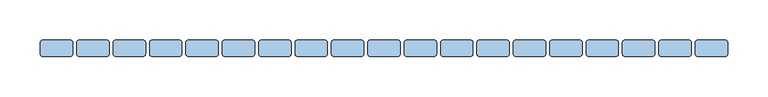
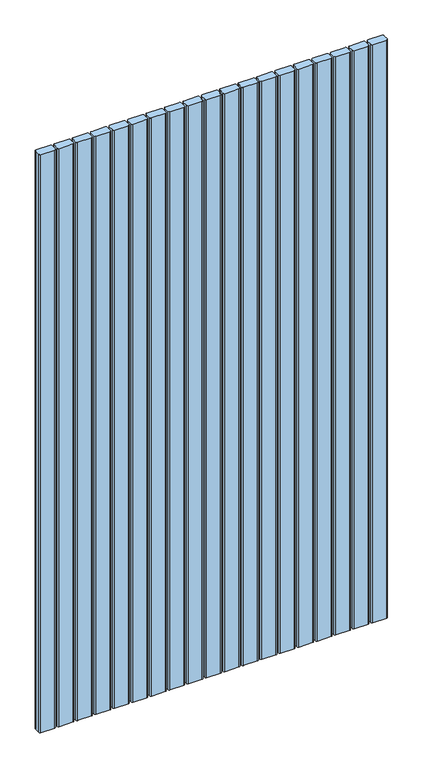
"""IFC4 building model written with IfcOpenShell, lengths in millimetres: window geometry."""

from ifc_helpers import new_model, si_unit, point, frame, frame_2d, origin, place, context, project, spatial, polyline, circle_curve, trimmed, segment, composite_curve, outline, extrude, source, transform, mapped, element, save


def window_61e208a9(model_context):
    return source(origin(), model_context, "Body", "SweptSolid", [
        extrude(outline(composite_curve([segment(polyline([(357.495806, 47.0), (357.495806, 33.0)]), True, "CONTINUOUS"), segment(trimmed(circle_curve(frame_2d((354.495806, 33.0)), 3.0), [point((357.495806, 33.0))], [point((354.495806, 30.0))], False, "CARTESIAN"), True, "CONTINUOUS"), segment(polyline([(354.495806, 30.0), (320.504194, 30.0)]), True, "CONTINUOUS"), segment(trimmed(circle_curve(frame_2d((320.504194, 33.0)), 3.0), [point((320.504194, 30.0))], [point((317.504194, 33.0))], False, "CARTESIAN"), True, "CONTINUOUS"), segment(polyline([(317.504194, 33.0), (317.504194, 47.0)]), True, "CONTINUOUS"), segment(trimmed(circle_curve(frame_2d((320.504194, 47.0)), 3.0), [point((317.504194, 47.0))], [point((320.504194, 50.0))], False, "CARTESIAN"), True, "CONTINUOUS"), segment(polyline([(320.504194, 50.0), (354.495806, 50.0)]), True, "CONTINUOUS"), segment(trimmed(circle_curve(frame_2d((354.495806, 47.0)), 3.0), [point((354.495806, 50.0))], [point((357.495806, 47.0))], False, "CARTESIAN"), True, "CONTINUOUS")], self_intersect=False)), frame((0.0, 0.0, 100.0), z_axis=(0.0, 0.0, 1.0), x_axis=(1.0, 0.0, 0.0)), (0.0, 0.0, 1.0), 1490.0),
        extrude(outline(composite_curve([segment(polyline([(312.495806, 47.0), (312.495806, 33.0)]), True, "CONTINUOUS"), segment(trimmed(circle_curve(frame_2d((309.495806, 33.0)), 3.0), [point((312.495806, 33.0))], [point((309.495806, 30.0))], False, "CARTESIAN"), True, "CONTINUOUS"), segment(polyline([(309.495806, 30.0), (275.504194, 30.0)]), True, "CONTINUOUS"), segment(trimmed(circle_curve(frame_2d((275.504194, 33.0)), 3.0), [point((275.504194, 30.0))], [point((272.504194, 33.0))], False, "CARTESIAN"), True, "CONTINUOUS"), segment(polyline([(272.504194, 33.0), (272.504194, 47.0)]), True, "CONTINUOUS"), segment(trimmed(circle_curve(frame_2d((275.504194, 47.0)), 3.0), [point((272.504194, 47.0))], [point((275.504194, 50.0))], False, "CARTESIAN"), True, "CONTINUOUS"), segment(polyline([(275.504194, 50.0), (309.495806, 50.0)]), True, "CONTINUOUS"), segment(trimmed(circle_curve(frame_2d((309.495806, 47.0)), 3.0), [point((309.495806, 50.0))], [point((312.495806, 47.0))], False, "CARTESIAN"), True, "CONTINUOUS")], self_intersect=False)), frame((0.0, 0.0, 100.0), z_axis=(0.0, 0.0, 1.0), x_axis=(1.0, 0.0, 0.0)), (0.0, 0.0, 1.0), 1490.0),
        extrude(outline(composite_curve([segment(polyline([(267.495806, 47.0), (267.495806, 33.0)]), True, "CONTINUOUS"), segment(trimmed(circle_curve(frame_2d((264.495806, 33.0)), 3.0), [point((267.495806, 33.0))], [point((264.495806, 30.0))], False, "CARTESIAN"), True, "CONTINUOUS"), segment(polyline([(264.495806, 30.0), (230.504194, 30.0)]), True, "CONTINUOUS"), segment(trimmed(circle_curve(frame_2d((230.504194, 33.0)), 3.0), [point((230.504194, 30.0))], [point((227.504194, 33.0))], False, "CARTESIAN"), True, "CONTINUOUS"), segment(polyline([(227.504194, 33.0), (227.504194, 47.0)]), True, "CONTINUOUS"), segment(trimmed(circle_curve(frame_2d((230.504194, 47.0)), 3.0), [point((227.504194, 47.0))], [point((230.504194, 50.0))], False, "CARTESIAN"), True, "CONTINUOUS"), segment(polyline([(230.504194, 50.0), (264.495806, 50.0)]), True, "CONTINUOUS"), segment(trimmed(circle_curve(frame_2d((264.495806, 47.0)), 3.0), [point((264.495806, 50.0))], [point((267.495806, 47.0))], False, "CARTESIAN"), True, "CONTINUOUS")], self_intersect=False)), frame((0.0, 0.0, 100.0), z_axis=(0.0, 0.0, 1.0), x_axis=(1.0, 0.0, 0.0)), (0.0, 0.0, 1.0), 1490.0),
        extrude(outline(composite_curve([segment(polyline([(222.495806, 47.0), (222.495806, 33.0)]), True, "CONTINUOUS"), segment(trimmed(circle_curve(frame_2d((219.495806, 33.0)), 3.0), [point((222.495806, 33.0))], [point((219.495806, 30.0))], False, "CARTESIAN"), True, "CONTINUOUS"), segment(polyline([(219.495806, 30.0), (185.504194, 30.0)]), True, "CONTINUOUS"), segment(trimmed(circle_curve(frame_2d((185.504194, 33.0)), 3.0), [point((185.504194, 30.0))], [point((182.504194, 33.0))], False, "CARTESIAN"), True, "CONTINUOUS"), segment(polyline([(182.504194, 33.0), (182.504194, 47.0)]), True, "CONTINUOUS"), segment(trimmed(circle_curve(frame_2d((185.504194, 47.0)), 3.0), [point((182.504194, 47.0))], [point((185.504194, 50.0))], False, "CARTESIAN"), True, "CONTINUOUS"), segment(polyline([(185.504194, 50.0), (219.495806, 50.0)]), True, "CONTINUOUS"), segment(trimmed(circle_curve(frame_2d((219.495806, 47.0)), 3.0), [point((219.495806, 50.0))], [point((222.495806, 47.0))], False, "CARTESIAN"), True, "CONTINUOUS")], self_intersect=False)), frame((0.0, 0.0, 100.0), z_axis=(0.0, 0.0, 1.0), x_axis=(1.0, 0.0, 0.0)), (0.0, 0.0, 1.0), 1490.0),
        extrude(outline(composite_curve([segment(polyline([(177.495806, 47.0), (177.495806, 33.0)]), True, "CONTINUOUS"), segment(trimmed(circle_curve(frame_2d((174.495806, 33.0)), 3.0), [point((177.495806, 33.0))], [point((174.495806, 30.0))], False, "CARTESIAN"), True, "CONTINUOUS"), segment(polyline([(174.495806, 30.0), (140.504194, 30.0)]), True, "CONTINUOUS"), segment(trimmed(circle_curve(frame_2d((140.504194, 33.0)), 3.0), [point((140.504194, 30.0))], [point((137.504194, 33.0))], False, "CARTESIAN"), True, "CONTINUOUS"), segment(polyline([(137.504194, 33.0), (137.504194, 47.0)]), True, "CONTINUOUS"), segment(trimmed(circle_curve(frame_2d((140.504194, 47.0)), 3.0), [point((137.504194, 47.0))], [point((140.504194, 50.0))], False, "CARTESIAN"), True, "CONTINUOUS"), segment(polyline([(140.504194, 50.0), (174.495806, 50.0)]), True, "CONTINUOUS"), segment(trimmed(circle_curve(frame_2d((174.495806, 47.0)), 3.0), [point((174.495806, 50.0))], [point((177.495806, 47.0))], False, "CARTESIAN"), True, "CONTINUOUS")], self_intersect=False)), frame((0.0, 0.0, 100.0), z_axis=(0.0, 0.0, 1.0), x_axis=(1.0, 0.0, 0.0)), (0.0, 0.0, 1.0), 1490.0),
        extrude(outline(composite_curve([segment(polyline([(132.495806, 47.0), (132.495806, 33.0)]), True, "CONTINUOUS"), segment(trimmed(circle_curve(frame_2d((129.495806, 33.0)), 3.0), [point((132.495806, 33.0))], [point((129.495806, 30.0))], False, "CARTESIAN"), True, "CONTINUOUS"), segment(polyline([(129.495806, 30.0), (95.504194, 30.0)]), True, "CONTINUOUS"), segment(trimmed(circle_curve(frame_2d((95.504194, 33.0)), 3.0), [point((95.504194, 30.0))], [point((92.504194, 33.0))], False, "CARTESIAN"), True, "CONTINUOUS"), segment(polyline([(92.504194, 33.0), (92.504194, 47.0)]), True, "CONTINUOUS"), segment(trimmed(circle_curve(frame_2d((95.504194, 47.0)), 3.0), [point((92.504194, 47.0))], [point((95.504194, 50.0))], False, "CARTESIAN"), True, "CONTINUOUS"), segment(polyline([(95.504194, 50.0), (129.495806, 50.0)]), True, "CONTINUOUS"), segment(trimmed(circle_curve(frame_2d((129.495806, 47.0)), 3.0), [point((129.495806, 50.0))], [point((132.495806, 47.0))], False, "CARTESIAN"), True, "CONTINUOUS")], self_intersect=False)), frame((0.0, 0.0, 100.0), z_axis=(0.0, 0.0, 1.0), x_axis=(1.0, 0.0, 0.0)), (0.0, 0.0, 1.0), 1490.0),
        extrude(outline(composite_curve([segment(polyline([(87.495806, 47.0), (87.495806, 33.0)]), True, "CONTINUOUS"), segment(trimmed(circle_curve(frame_2d((84.495806, 33.0)), 3.0), [point((87.495806, 33.0))], [point((84.495806, 30.0))], False, "CARTESIAN"), True, "CONTINUOUS"), segment(polyline([(84.495806, 30.0), (50.504194, 30.0)]), True, "CONTINUOUS"), segment(trimmed(circle_curve(frame_2d((50.504194, 33.0)), 3.0), [point((50.504194, 30.0))], [point((47.504194, 33.0))], False, "CARTESIAN"), True, "CONTINUOUS"), segment(polyline([(47.504194, 33.0), (47.504194, 47.0)]), True, "CONTINUOUS"), segment(trimmed(circle_curve(frame_2d((50.504194, 47.0)), 3.0), [point((47.504194, 47.0))], [point((50.504194, 50.0))], False, "CARTESIAN"), True, "CONTINUOUS"), segment(polyline([(50.504194, 50.0), (84.495806, 50.0)]), True, "CONTINUOUS"), segment(trimmed(circle_curve(frame_2d((84.495806, 47.0)), 3.0), [point((84.495806, 50.0))], [point((87.495806, 47.0))], False, "CARTESIAN"), True, "CONTINUOUS")], self_intersect=False)), frame((0.0, 0.0, 100.0), z_axis=(0.0, 0.0, 1.0), x_axis=(1.0, 0.0, 0.0)), (0.0, 0.0, 1.0), 1490.0),
        extrude(outline(composite_curve([segment(polyline([(42.495806, 47.0), (42.495806, 33.0)]), True, "CONTINUOUS"), segment(trimmed(circle_curve(frame_2d((39.495806, 33.0)), 3.0), [point((42.495806, 33.0))], [point((39.495806, 30.0))], False, "CARTESIAN"), True, "CONTINUOUS"), segment(polyline([(39.495806, 30.0), (5.504194, 30.0)]), True, "CONTINUOUS"), segment(trimmed(circle_curve(frame_2d((5.504194, 33.0)), 3.0), [point((5.504194, 30.0))], [point((2.504194, 33.0))], False, "CARTESIAN"), True, "CONTINUOUS"), segment(polyline([(2.504194, 33.0), (2.504194, 47.0)]), True, "CONTINUOUS"), segment(trimmed(circle_curve(frame_2d((5.504194, 47.0)), 3.0), [point((2.504194, 47.0))], [point((5.504194, 50.0))], False, "CARTESIAN"), True, "CONTINUOUS"), segment(polyline([(5.504194, 50.0), (39.495806, 50.0)]), True, "CONTINUOUS"), segment(trimmed(circle_curve(frame_2d((39.495806, 47.0)), 3.0), [point((39.495806, 50.0))], [point((42.495806, 47.0))], False, "CARTESIAN"), True, "CONTINUOUS")], self_intersect=False)), frame((0.0, 0.0, 100.0), z_axis=(0.0, 0.0, 1.0), x_axis=(1.0, 0.0, 0.0)), (0.0, 0.0, 1.0), 1490.0),
        extrude(outline(composite_curve([segment(polyline([(-2.504194, 47.0), (-2.504194, 33.0)]), True, "CONTINUOUS"), segment(trimmed(circle_curve(frame_2d((-5.504194, 33.0)), 3.0), [point((-2.504194, 33.0))], [point((-5.504194, 30.0))], False, "CARTESIAN"), True, "CONTINUOUS"), segment(polyline([(-5.504194, 30.0), (-39.495806, 30.0)]), True, "CONTINUOUS"), segment(trimmed(circle_curve(frame_2d((-39.495806, 33.0)), 3.0), [point((-39.495806, 30.0))], [point((-42.495806, 33.0))], False, "CARTESIAN"), True, "CONTINUOUS"), segment(polyline([(-42.495806, 33.0), (-42.495806, 47.0)]), True, "CONTINUOUS"), segment(trimmed(circle_curve(frame_2d((-39.495806, 47.0)), 3.0), [point((-42.495806, 47.0))], [point((-39.495806, 50.0))], False, "CARTESIAN"), True, "CONTINUOUS"), segment(polyline([(-39.495806, 50.0), (-5.504194, 50.0)]), True, "CONTINUOUS"), segment(trimmed(circle_curve(frame_2d((-5.504194, 47.0)), 3.0), [point((-5.504194, 50.0))], [point((-2.504194, 47.0))], False, "CARTESIAN"), True, "CONTINUOUS")], self_intersect=False)), frame((0.0, 0.0, 100.0), z_axis=(0.0, 0.0, 1.0), x_axis=(1.0, 0.0, 0.0)), (0.0, 0.0, 1.0), 1490.0),
        extrude(outline(composite_curve([segment(polyline([(-47.504194, 47.0), (-47.504194, 33.0)]), True, "CONTINUOUS"), segment(trimmed(circle_curve(frame_2d((-50.504194, 33.0)), 3.0), [point((-47.504194, 33.0))], [point((-50.504194, 30.0))], False, "CARTESIAN"), True, "CONTINUOUS"), segment(polyline([(-50.504194, 30.0), (-84.495806, 30.0)]), True, "CONTINUOUS"), segment(trimmed(circle_curve(frame_2d((-84.495806, 33.0)), 3.0), [point((-84.495806, 30.0))], [point((-87.495806, 33.0))], False, "CARTESIAN"), True, "CONTINUOUS"), segment(polyline([(-87.495806, 33.0), (-87.495806, 47.0)]), True, "CONTINUOUS"), segment(trimmed(circle_curve(frame_2d((-84.495806, 47.0)), 3.0), [point((-87.495806, 47.0))], [point((-84.495806, 50.0))], False, "CARTESIAN"), True, "CONTINUOUS"), segment(polyline([(-84.495806, 50.0), (-50.504194, 50.0)]), True, "CONTINUOUS"), segment(trimmed(circle_curve(frame_2d((-50.504194, 47.0)), 3.0), [point((-50.504194, 50.0))], [point((-47.504194, 47.0))], False, "CARTESIAN"), True, "CONTINUOUS")], self_intersect=False)), frame((0.0, 0.0, 100.0), z_axis=(0.0, 0.0, 1.0), x_axis=(1.0, 0.0, 0.0)), (0.0, 0.0, 1.0), 1490.0),
        extrude(outline(composite_curve([segment(polyline([(-92.504194, 47.0), (-92.504194, 33.0)]), True, "CONTINUOUS"), segment(trimmed(circle_curve(frame_2d((-95.504194, 33.0)), 3.0), [point((-92.504194, 33.0))], [point((-95.504194, 30.0))], False, "CARTESIAN"), True, "CONTINUOUS"), segment(polyline([(-95.504194, 30.0), (-129.495806, 30.0)]), True, "CONTINUOUS"), segment(trimmed(circle_curve(frame_2d((-129.495806, 33.0)), 3.0), [point((-129.495806, 30.0))], [point((-132.495806, 33.0))], False, "CARTESIAN"), True, "CONTINUOUS"), segment(polyline([(-132.495806, 33.0), (-132.495806, 47.0)]), True, "CONTINUOUS"), segment(trimmed(circle_curve(frame_2d((-129.495806, 47.0)), 3.0), [point((-132.495806, 47.0))], [point((-129.495806, 50.0))], False, "CARTESIAN"), True, "CONTINUOUS"), segment(polyline([(-129.495806, 50.0), (-95.504194, 50.0)]), True, "CONTINUOUS"), segment(trimmed(circle_curve(frame_2d((-95.504194, 47.0)), 3.0), [point((-95.504194, 50.0))], [point((-92.504194, 47.0))], False, "CARTESIAN"), True, "CONTINUOUS")], self_intersect=False)), frame((0.0, 0.0, 100.0), z_axis=(0.0, 0.0, 1.0), x_axis=(1.0, 0.0, 0.0)), (0.0, 0.0, 1.0), 1490.0),
        extrude(outline(composite_curve([segment(polyline([(-137.504194, 47.0), (-137.504194, 33.0)]), True, "CONTINUOUS"), segment(trimmed(circle_curve(frame_2d((-140.504194, 33.0)), 3.0), [point((-137.504194, 33.0))], [point((-140.504194, 30.0))], False, "CARTESIAN"), True, "CONTINUOUS"), segment(polyline([(-140.504194, 30.0), (-174.495806, 30.0)]), True, "CONTINUOUS"), segment(trimmed(circle_curve(frame_2d((-174.495806, 33.0)), 3.0), [point((-174.495806, 30.0))], [point((-177.495806, 33.0))], False, "CARTESIAN"), True, "CONTINUOUS"), segment(polyline([(-177.495806, 33.0), (-177.495806, 47.0)]), True, "CONTINUOUS"), segment(trimmed(circle_curve(frame_2d((-174.495806, 47.0)), 3.0), [point((-177.495806, 47.0))], [point((-174.495806, 50.0))], False, "CARTESIAN"), True, "CONTINUOUS"), segment(polyline([(-174.495806, 50.0), (-140.504194, 50.0)]), True, "CONTINUOUS"), segment(trimmed(circle_curve(frame_2d((-140.504194, 47.0)), 3.0), [point((-140.504194, 50.0))], [point((-137.504194, 47.0))], False, "CARTESIAN"), True, "CONTINUOUS")], self_intersect=False)), frame((0.0, 0.0, 100.0), z_axis=(0.0, 0.0, 1.0), x_axis=(1.0, 0.0, 0.0)), (0.0, 0.0, 1.0), 1490.0),
        extrude(outline(composite_curve([segment(polyline([(-182.504194, 47.0), (-182.504194, 33.0)]), True, "CONTINUOUS"), segment(trimmed(circle_curve(frame_2d((-185.504194, 33.0)), 3.0), [point((-182.504194, 33.0))], [point((-185.504194, 30.0))], False, "CARTESIAN"), True, "CONTINUOUS"), segment(polyline([(-185.504194, 30.0), (-219.495806, 30.0)]), True, "CONTINUOUS"), segment(trimmed(circle_curve(frame_2d((-219.495806, 33.0)), 3.0), [point((-219.495806, 30.0))], [point((-222.495806, 33.0))], False, "CARTESIAN"), True, "CONTINUOUS"), segment(polyline([(-222.495806, 33.0), (-222.495806, 47.0)]), True, "CONTINUOUS"), segment(trimmed(circle_curve(frame_2d((-219.495806, 47.0)), 3.0), [point((-222.495806, 47.0))], [point((-219.495806, 50.0))], False, "CARTESIAN"), True, "CONTINUOUS"), segment(polyline([(-219.495806, 50.0), (-185.504194, 50.0)]), True, "CONTINUOUS"), segment(trimmed(circle_curve(frame_2d((-185.504194, 47.0)), 3.0), [point((-185.504194, 50.0))], [point((-182.504194, 47.0))], False, "CARTESIAN"), True, "CONTINUOUS")], self_intersect=False)), frame((0.0, 0.0, 100.0), z_axis=(0.0, 0.0, 1.0), x_axis=(1.0, 0.0, 0.0)), (0.0, 0.0, 1.0), 1490.0),
        extrude(outline(composite_curve([segment(polyline([(-227.504194, 47.0), (-227.504194, 33.0)]), True, "CONTINUOUS"), segment(trimmed(circle_curve(frame_2d((-230.504194, 33.0)), 3.0), [point((-227.504194, 33.0))], [point((-230.504194, 30.0))], False, "CARTESIAN"), True, "CONTINUOUS"), segment(polyline([(-230.504194, 30.0), (-264.495806, 30.0)]), True, "CONTINUOUS"), segment(trimmed(circle_curve(frame_2d((-264.495806, 33.0)), 3.0), [point((-264.495806, 30.0))], [point((-267.495806, 33.0))], False, "CARTESIAN"), True, "CONTINUOUS"), segment(polyline([(-267.495806, 33.0), (-267.495806, 47.0)]), True, "CONTINUOUS"), segment(trimmed(circle_curve(frame_2d((-264.495806, 47.0)), 3.0), [point((-267.495806, 47.0))], [point((-264.495806, 50.0))], False, "CARTESIAN"), True, "CONTINUOUS"), segment(polyline([(-264.495806, 50.0), (-230.504194, 50.0)]), True, "CONTINUOUS"), segment(trimmed(circle_curve(frame_2d((-230.504194, 47.0)), 3.0), [point((-230.504194, 50.0))], [point((-227.504194, 47.0))], False, "CARTESIAN"), True, "CONTINUOUS")], self_intersect=False)), frame((0.0, 0.0, 100.0), z_axis=(0.0, 0.0, 1.0), x_axis=(1.0, 0.0, 0.0)), (0.0, 0.0, 1.0), 1490.0),
        extrude(outline(composite_curve([segment(polyline([(-272.504194, 47.0), (-272.504194, 33.0)]), True, "CONTINUOUS"), segment(trimmed(circle_curve(frame_2d((-275.504194, 33.0)), 3.0), [point((-272.504194, 33.0))], [point((-275.504194, 30.0))], False, "CARTESIAN"), True, "CONTINUOUS"), segment(polyline([(-275.504194, 30.0), (-309.495806, 30.0)]), True, "CONTINUOUS"), segment(trimmed(circle_curve(frame_2d((-309.495806, 33.0)), 3.0), [point((-309.495806, 30.0))], [point((-312.495806, 33.0))], False, "CARTESIAN"), True, "CONTINUOUS"), segment(polyline([(-312.495806, 33.0), (-312.495806, 47.0)]), True, "CONTINUOUS"), segment(trimmed(circle_curve(frame_2d((-309.495806, 47.0)), 3.0), [point((-312.495806, 47.0))], [point((-309.495806, 50.0))], False, "CARTESIAN"), True, "CONTINUOUS"), segment(polyline([(-309.495806, 50.0), (-275.504194, 50.0)]), True, "CONTINUOUS"), segment(trimmed(circle_curve(frame_2d((-275.504194, 47.0)), 3.0), [point((-275.504194, 50.0))], [point((-272.504194, 47.0))], False, "CARTESIAN"), True, "CONTINUOUS")], self_intersect=False)), frame((0.0, 0.0, 100.0), z_axis=(0.0, 0.0, 1.0), x_axis=(1.0, 0.0, 0.0)), (0.0, 0.0, 1.0), 1490.0),
        extrude(outline(composite_curve([segment(polyline([(-317.504194, 47.0), (-317.504194, 33.0)]), True, "CONTINUOUS"), segment(trimmed(circle_curve(frame_2d((-320.504194, 33.0)), 3.0), [point((-317.504194, 33.0))], [point((-320.504194, 30.0))], False, "CARTESIAN"), True, "CONTINUOUS"), segment(polyline([(-320.504194, 30.0), (-354.495806, 30.0)]), True, "CONTINUOUS"), segment(trimmed(circle_curve(frame_2d((-354.495806, 33.0)), 3.0), [point((-354.495806, 30.0))], [point((-357.495806, 33.0))], False, "CARTESIAN"), True, "CONTINUOUS"), segment(polyline([(-357.495806, 33.0), (-357.495806, 47.0)]), True, "CONTINUOUS"), segment(trimmed(circle_curve(frame_2d((-354.495806, 47.0)), 3.0), [point((-357.495806, 47.0))], [point((-354.495806, 50.0))], False, "CARTESIAN"), True, "CONTINUOUS"), segment(polyline([(-354.495806, 50.0), (-320.504194, 50.0)]), True, "CONTINUOUS"), segment(trimmed(circle_curve(frame_2d((-320.504194, 47.0)), 3.0), [point((-320.504194, 50.0))], [point((-317.504194, 47.0))], False, "CARTESIAN"), True, "CONTINUOUS")], self_intersect=False)), frame((0.0, 0.0, 100.0), z_axis=(0.0, 0.0, 1.0), x_axis=(1.0, 0.0, 0.0)), (0.0, 0.0, 1.0), 1490.0),
        extrude(outline(composite_curve([segment(polyline([(-362.504194, 47.0), (-362.504194, 33.0)]), True, "CONTINUOUS"), segment(trimmed(circle_curve(frame_2d((-365.504194, 33.0)), 3.0), [point((-362.504194, 33.0))], [point((-365.504194, 30.0))], False, "CARTESIAN"), True, "CONTINUOUS"), segment(polyline([(-365.504194, 30.0), (-399.495806, 30.0)]), True, "CONTINUOUS"), segment(trimmed(circle_curve(frame_2d((-399.495806, 33.0)), 3.0), [point((-399.495806, 30.0))], [point((-402.495806, 33.0))], False, "CARTESIAN"), True, "CONTINUOUS"), segment(polyline([(-402.495806, 33.0), (-402.495806, 47.0)]), True, "CONTINUOUS"), segment(trimmed(circle_curve(frame_2d((-399.495806, 47.0)), 3.0), [point((-402.495806, 47.0))], [point((-399.495806, 50.0))], False, "CARTESIAN"), True, "CONTINUOUS"), segment(polyline([(-399.495806, 50.0), (-365.504194, 50.0)]), True, "CONTINUOUS"), segment(trimmed(circle_curve(frame_2d((-365.504194, 47.0)), 3.0), [point((-365.504194, 50.0))], [point((-362.504194, 47.0))], False, "CARTESIAN"), True, "CONTINUOUS")], self_intersect=False)), frame((0.0, 0.0, 100.0), z_axis=(0.0, 0.0, 1.0), x_axis=(1.0, 0.0, 0.0)), (0.0, 0.0, 1.0), 1490.0),
        extrude(outline(composite_curve([segment(polyline([(-407.504194, 47.0), (-407.504194, 33.0)]), True, "CONTINUOUS"), segment(trimmed(circle_curve(frame_2d((-410.504194, 33.0)), 3.0), [point((-407.504194, 33.0))], [point((-410.504194, 30.0))], False, "CARTESIAN"), True, "CONTINUOUS"), segment(polyline([(-410.504194, 30.0), (-444.495806, 30.0)]), True, "CONTINUOUS"), segment(trimmed(circle_curve(frame_2d((-444.495806, 33.0)), 3.0), [point((-444.495806, 30.0))], [point((-447.495806, 33.0))], False, "CARTESIAN"), True, "CONTINUOUS"), segment(polyline([(-447.495806, 33.0), (-447.495806, 47.0)]), True, "CONTINUOUS"), segment(trimmed(circle_curve(frame_2d((-444.495806, 47.0)), 3.0), [point((-447.495806, 47.0))], [point((-444.495806, 50.0))], False, "CARTESIAN"), True, "CONTINUOUS"), segment(polyline([(-444.495806, 50.0), (-410.504194, 50.0)]), True, "CONTINUOUS"), segment(trimmed(circle_curve(frame_2d((-410.504194, 47.0)), 3.0), [point((-410.504194, 50.0))], [point((-407.504194, 47.0))], False, "CARTESIAN"), True, "CONTINUOUS")], self_intersect=False)), frame((0.0, 0.0, 100.0), z_axis=(0.0, 0.0, 1.0), x_axis=(1.0, 0.0, 0.0)), (0.0, 0.0, 1.0), 1490.0),
        extrude(outline(composite_curve([segment(polyline([(-452.508388, 47.0), (-452.508388, 33.0)]), True, "CONTINUOUS"), segment(trimmed(circle_curve(frame_2d((-455.508388, 33.0)), 3.0), [point((-452.508388, 33.0))], [point((-455.508388, 30.0))], False, "CARTESIAN"), True, "CONTINUOUS"), segment(polyline([(-455.508388, 30.0), (-489.5, 30.0)]), True, "CONTINUOUS"), segment(trimmed(circle_curve(frame_2d((-489.5, 33.0)), 3.0), [point((-489.5, 30.0))], [point((-492.5, 33.0))], False, "CARTESIAN"), True, "CONTINUOUS"), segment(polyline([(-492.5, 33.0), (-492.5, 47.0)]), True, "CONTINUOUS"), segment(trimmed(circle_curve(frame_2d((-489.5, 47.0)), 3.0), [point((-492.5, 47.0))], [point((-489.5, 50.0))], False, "CARTESIAN"), True, "CONTINUOUS"), segment(polyline([(-489.5, 50.0), (-455.508388, 50.0)]), True, "CONTINUOUS"), segment(trimmed(circle_curve(frame_2d((-455.508388, 47.0)), 3.0), [point((-455.508388, 50.0))], [point((-452.508388, 47.0))], False, "CARTESIAN"), True, "CONTINUOUS")], self_intersect=False)), frame((0.0, 0.0, 100.0), z_axis=(0.0, 0.0, 1.0), x_axis=(1.0, 0.0, 0.0)), (0.0, 0.0, 1.0), 1490.0),
    ])


if __name__ == "__main__":
    model = new_model("IFC4")
    model_context = context("Model", 3, world=origin())
    ifc_project = project(units=[si_unit("LENGTHUNIT", "METRE", prefix="MILLI")], contexts=[model_context])
    site = spatial("IfcSite", under=ifc_project)
    building = spatial("IfcBuilding", under=site)
    placement = place(None, origin())
    window_shape = window_61e208a9(model_context)
    element("IfcWindow", 1, at=placement, inside=building, context=model_context, shape_type="MappedRepresentation", body=[
        mapped(window_shape, transform((0.0, 0.0, 0.0), x_axis=(1.0, 0.0, 0.0), y_axis=(0.0, 1.0, 0.0), z_axis=(0.0, 0.0, 1.0))),
    ])
    save(model, "model.ifc")
